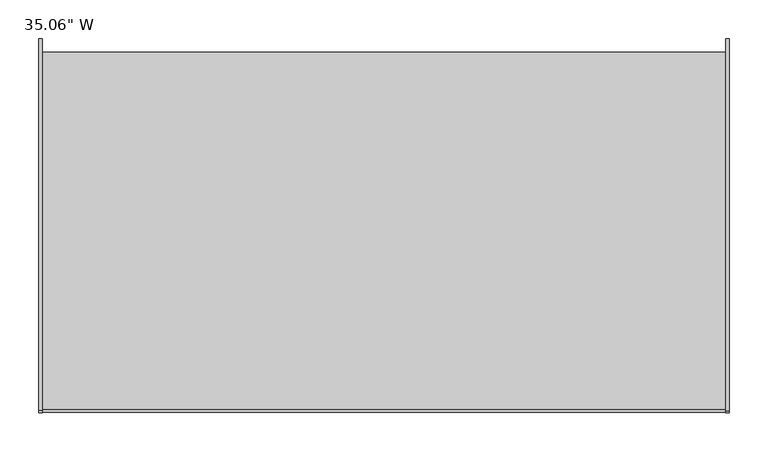
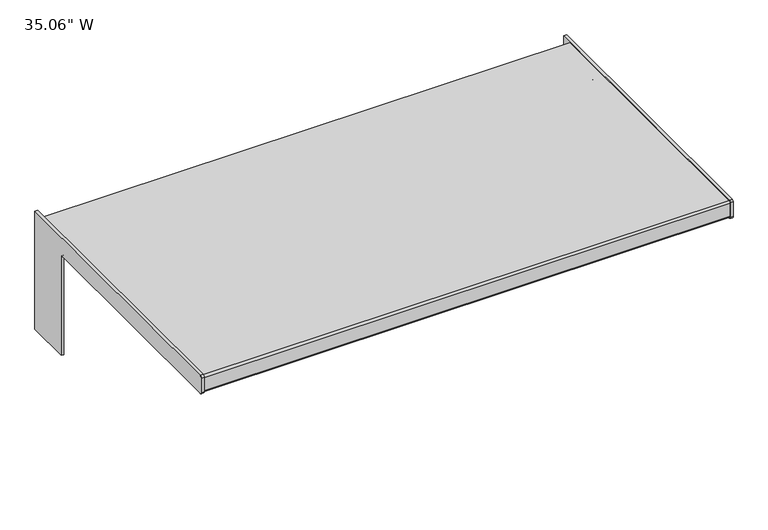
"""IFC4 building model written with IfcOpenShell, lengths in millimetres: furniture geometry."""

from ifc_helpers import new_model, si_unit, point, frame, frame_2d, origin, place, context, project, spatial, polyline, circle_curve, trimmed, segment, composite_curve, outline, extrude, source, transform, mapped, element, save


def furniture_7f95fb6f(model_context):
    return source(origin(), model_context, "Body", "SweptSolid", [
        extrude(outline(composite_curve([segment(polyline([(-432.3841669, 209.55), (47.1678331, 209.55), (47.1678331, 0.0), (-29.0321669, 0.0), (-29.0321669, 174.4979943)]), True, "CONTINUOUS"), segment(trimmed(circle_curve(frame_2d((-32.0801669, 174.4979943)), 3.048), [point((-29.0321669, 174.4979943))], [point((-32.0801669, 177.5459943))], True, "CARTESIAN"), True, "CONTINUOUS"), segment(polyline([(-32.0801669, 177.5459943), (-432.3841669, 177.5459943)]), True, "CONTINUOUS"), segment(trimmed(circle_curve(frame_2d((-432.3841669, 180.5939943)), 3.048), [point((-432.3841669, 177.5459943))], [point((-435.4321669, 180.5939943))], False, "CARTESIAN"), True, "CONTINUOUS"), segment(polyline([(-435.4321669, 180.5939943), (-435.4321669, 206.502)]), True, "CONTINUOUS"), segment(trimmed(circle_curve(frame_2d((-432.3841669, 206.502)), 3.048), [point((-435.4321669, 206.502))], [point((-432.3841669, 209.55))], False, "CARTESIAN"), True, "CONTINUOUS")], self_intersect=False)), frame((11.938, 0.0, 0.0), z_axis=(1.0, 0.0, 0.0), x_axis=(0.0, 1.0, 0.0)), (0.0, 0.0, 1.0), 4.699),
        extrude(outline(composite_curve([segment(polyline([(-431.495195, 208.28), (29.7306707, 208.28), (29.7306707, 178.7956795), (-431.495195, 178.7956795)]), True, "CONTINUOUS"), segment(trimmed(circle_curve(frame_2d((-431.495195, 181.8436795)), 3.048), [point((-431.495195, 178.7956795))], [point((-434.543195, 181.8436795))], False, "CARTESIAN"), True, "CONTINUOUS"), segment(polyline([(-434.543195, 181.8436795), (-434.543195, 205.232)]), True, "CONTINUOUS"), segment(trimmed(circle_curve(frame_2d((-431.495195, 205.232)), 3.048), [point((-434.543195, 205.232))], [point((-431.495195, 208.28))], False, "CARTESIAN"), True, "CONTINUOUS")], self_intersect=False)), frame((16.637, 0.0, 0.0), z_axis=(1.0, 0.0, 0.0), x_axis=(0.0, 1.0, 0.0)), (0.0, 0.0, 1.0), 881.126),
        extrude(outline(composite_curve([segment(polyline([(-432.3841669, 209.55), (47.1678331, 209.55), (47.1678331, 0.0), (-29.0321669, 0.0), (-29.0321669, 174.4979943)]), True, "CONTINUOUS"), segment(trimmed(circle_curve(frame_2d((-32.0801669, 174.4979943)), 3.048), [point((-29.0321669, 174.4979943))], [point((-32.0801669, 177.5459943))], True, "CARTESIAN"), True, "CONTINUOUS"), segment(polyline([(-32.0801669, 177.5459943), (-432.3841669, 177.5459943)]), True, "CONTINUOUS"), segment(trimmed(circle_curve(frame_2d((-432.3841669, 180.5939943)), 3.048), [point((-432.3841669, 177.5459943))], [point((-435.4321669, 180.5939943))], False, "CARTESIAN"), True, "CONTINUOUS"), segment(polyline([(-435.4321669, 180.5939943), (-435.4321669, 206.502)]), True, "CONTINUOUS"), segment(trimmed(circle_curve(frame_2d((-432.3841669, 206.502)), 3.048), [point((-435.4321669, 206.502))], [point((-432.3841669, 209.55))], False, "CARTESIAN"), True, "CONTINUOUS")], self_intersect=False)), frame((897.763, 0.0, 0.0), z_axis=(1.0, 0.0, 0.0), x_axis=(0.0, 1.0, 0.0)), (0.0, 0.0, 1.0), 4.699),
    ])


if __name__ == "__main__":
    model = new_model("IFC4")
    model_context = context("Model", 3, world=origin())
    ifc_project = project(units=[si_unit("LENGTHUNIT", "METRE", prefix="MILLI")], contexts=[model_context])
    site = spatial("IfcSite", under=ifc_project)
    building = spatial("IfcBuilding", under=site)
    placement = place(None, origin())
    furniture_shape = furniture_7f95fb6f(model_context)
    element("IfcFurniture", 1, ObjectType="35.06\" W", at=placement, inside=building, context=model_context, shape_type="MappedRepresentation", body=[
        mapped(furniture_shape, transform((0.0, 0.0, 0.0), x_axis=(1.0, 0.0, 0.0), y_axis=(0.0, 1.0, 0.0), z_axis=(0.0, 0.0, 1.0))),
    ])
    save(model, "model.ifc")
